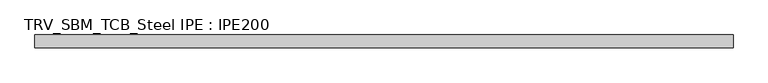
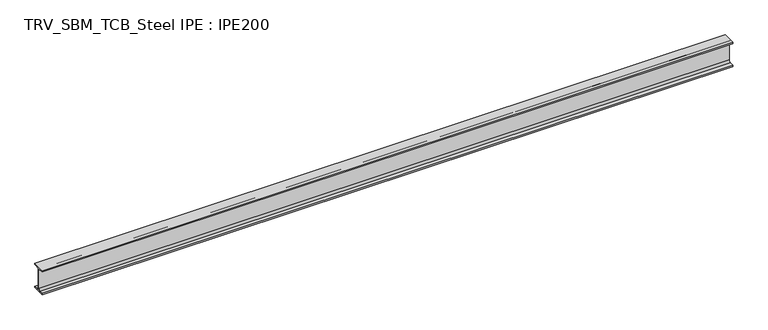
"""IFC4 building model written with IfcOpenShell, lengths in millimetres: beam geometry, TRV_SBM_TCB_Steel IPE : IPE200."""

from ifc_helpers import new_model, si_unit, point, frame, frame_2d, origin, place, context, project, spatial, polyline, circle_curve, trimmed, segment, composite_curve, outline, extrude, source, transform, mapped, element, save


def trv_sbm_tcb_steel_ipe_ipe200_d0fc9af9(model_context):
    return source(origin(), model_context, "Body", "SweptSolid", [
        extrude(outline(composite_curve([segment(polyline([(50.0, -89.3), (50.0, -100.0), (-50.0, -100.0), (-50.0, -89.3), (-18.55, -89.3)]), True, "CONTINUOUS"), segment(trimmed(circle_curve(frame_2d((-18.55, -74.3)), 15.0), [point((-18.55, -89.3))], [point((-3.55, -74.3))], True, "CARTESIAN"), True, "CONTINUOUS"), segment(polyline([(-3.55, -74.3), (-3.55, 74.3)]), True, "CONTINUOUS"), segment(trimmed(circle_curve(frame_2d((-18.55, 74.3)), 15.0), [point((-3.55, 74.3))], [point((-18.55, 89.3))], True, "CARTESIAN"), True, "CONTINUOUS"), segment(polyline([(-18.55, 89.3), (-50.0, 89.3), (-50.0, 100.0), (50.0, 100.0), (50.0, 89.3), (18.55, 89.3)]), True, "CONTINUOUS"), segment(trimmed(circle_curve(frame_2d((18.55, 74.3)), 15.0), [point((18.55, 89.3))], [point((3.55, 74.3))], True, "CARTESIAN"), True, "CONTINUOUS"), segment(polyline([(3.55, 74.3), (3.55, -74.3)]), True, "CONTINUOUS"), segment(trimmed(circle_curve(frame_2d((18.55, -74.3)), 15.0), [point((3.55, -74.3))], [point((18.55, -89.3))], True, "CARTESIAN"), True, "CONTINUOUS"), segment(polyline([(18.55, -89.3), (50.0, -89.3)]), True, "CONTINUOUS")], self_intersect=False)), frame((-2790.5, 0.0, 0.0), z_axis=(1.0, 0.0, 0.0), x_axis=(0.0, 1.0, 0.0)), (0.0, 0.0, 1.0), 5387.0),
    ])


if __name__ == "__main__":
    model = new_model("IFC4")
    model_context = context("Model", 3, world=origin())
    ifc_project = project(units=[si_unit("LENGTHUNIT", "METRE", prefix="MILLI")], contexts=[model_context])
    site = spatial("IfcSite", under=ifc_project)
    building = spatial("IfcBuilding", under=site)
    placement = place(None, origin())
    trv_sbm_tcb_steel_ipe_ipe200_shape = trv_sbm_tcb_steel_ipe_ipe200_d0fc9af9(model_context)
    element("IfcBeam", 1, ObjectType="TRV_SBM_TCB_Steel IPE : IPE200", at=placement, inside=building, context=model_context, shape_type="MappedRepresentation", body=[
        mapped(trv_sbm_tcb_steel_ipe_ipe200_shape, transform((0.0, 0.0, 0.0), x_axis=(1.0, 0.0, 0.0), y_axis=(0.0, 1.0, 0.0), z_axis=(0.0, 0.0, 1.0))),
    ])
    save(model, "model.ifc")
